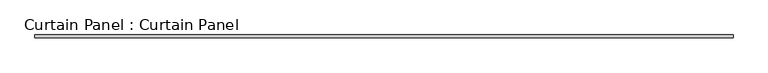
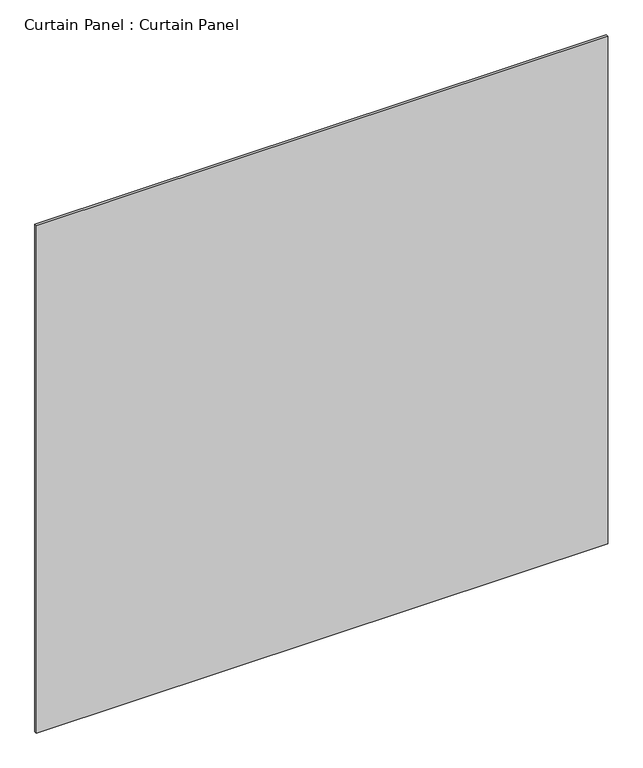
"""IFC4 building model written with IfcOpenShell, lengths in millimetres: plate geometry, Curtain Panel : Curtain Panel."""

from ifc_helpers import new_model, si_unit, frame, origin, place, context, project, spatial, polyline, outline, extrude, source, transform, mapped, element, save


def curtain_panel_curtain_panel_3a751516(model_context):
    return source(origin(), model_context, "Body", "SweptSolid", [
        extrude(outline(polyline([(-363754.9820997, 3486.6118683), (-365208.9149983, 3486.6118683), (-365208.9149983, 3492.9618683), (-363754.9820997, 3492.9618683), (-363754.9820997, 3486.6118683)])), frame((0.0, 0.0, 1555.75), z_axis=(0.0, 0.0, 1.0), x_axis=(1.0, 0.0, 0.0)), (0.0, 0.0, 1.0), 1364.7603332),
    ])


if __name__ == "__main__":
    model = new_model("IFC4")
    model_context = context("Model", 3, world=origin())
    ifc_project = project(units=[si_unit("LENGTHUNIT", "METRE", prefix="MILLI")], contexts=[model_context])
    site = spatial("IfcSite", under=ifc_project)
    building = spatial("IfcBuilding", under=site)
    placement = place(None, origin())
    curtain_panel_curtain_panel_shape = curtain_panel_curtain_panel_3a751516(model_context)
    element("IfcPlate", 1, ObjectType="Curtain Panel : Curtain Panel", at=placement, inside=building, context=model_context, shape_type="MappedRepresentation", body=[
        mapped(curtain_panel_curtain_panel_shape, transform((0.0, 0.0, 0.0), x_axis=(1.0, 0.0, 0.0), y_axis=(0.0, 1.0, 0.0), z_axis=(0.0, 0.0, 1.0))),
    ])
    save(model, "model.ifc")
